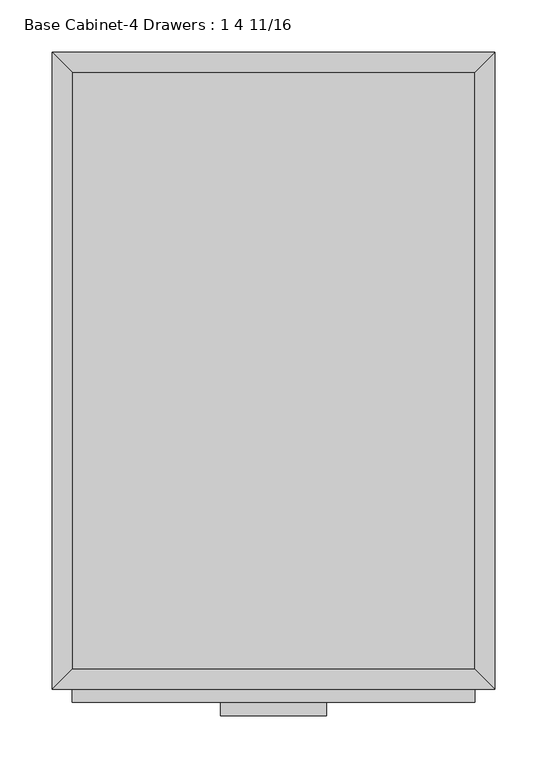
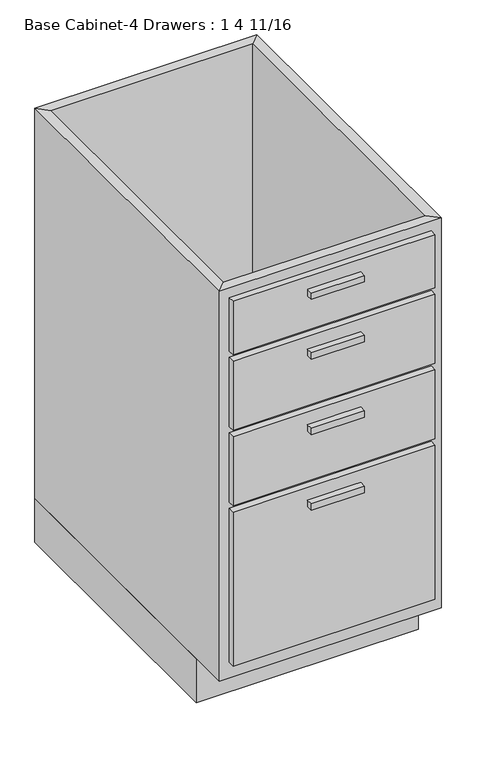
"""IFC4 building model written with IfcOpenShell, lengths in millimetres: furniture geometry, Base Cabinet-4 Drawers : 1 4 11/16."""

import ifcopenshell
import ifcopenshell.guid

model = None  # the IFC model being written
_history = None  # IfcOwnerHistory: only IFC2X3 demands one
_inside = {}  # id of a spatial element -> (the spatial element, [elements in it])
_under = {}  # id of a project, library or spatial element -> (it, [spatial elements below it])
_declared = {}  # id of a project -> (the project, [libraries it declares])
_typed = {}  # id of a type object -> (the type object, [elements of that type])
_made_of = {}  # id of a material, layer set ... -> (it, [elements and type objects made of it])


def new_model(schema):
    """Start an empty IFC model of exactly this schema.

    Asked for "IFC4X3", IfcOpenShell would pick the latest addendum, in which some entities
    have other attributes; the version numbers below select the first issue.
    IFC2X3 requires an IfcOwnerHistory on every rooted entity: one is made here for all.
    """
    global model, _history
    if schema == "IFC4X3":
        model = ifcopenshell.file(schema_version=(4, 3, 0, 0))
    else:
        model = ifcopenshell.file(schema=schema)
    _inside.clear()
    _under.clear()
    _declared.clear()
    _typed.clear()
    _made_of.clear()
    _history = None
    if model.schema == "IFC2X3":
        org = make("IfcOrganization", Name="unknown")
        user = make(
            "IfcPersonAndOrganization",
            ThePerson=make("IfcPerson", FamilyName="unknown"),
            TheOrganization=org,
        )
        app = make(
            "IfcApplication",
            ApplicationDeveloper=org,
            Version="unknown",
            ApplicationFullName="unknown",
            ApplicationIdentifier="unknown",
        )
        _history = make(
            "IfcOwnerHistory",
            OwningUser=user,
            OwningApplication=app,
            ChangeAction="ADDED",
            CreationDate=0,
        )
    return model


def make(cls, **values):
    """One entity of the class cls with the attributes given. An attribute that is None is left unset."""
    return model.create_entity(
        cls, **{name: value for name, value in values.items() if value is not None}
    )


def rooted(cls, **values):
    """An entity with a GlobalId (a new one), such as an element, a storey or a relation."""
    return make(cls, GlobalId=ifcopenshell.guid.new(), OwnerHistory=_history, **values)


def si_unit(unit_type, name, prefix=None):
    """IfcSIUnit, for example si_unit("LENGTHUNIT", "METRE", prefix="MILLI")."""
    return make("IfcSIUnit", UnitType=unit_type, Prefix=prefix, Name=name)


def assignment(units):
    """IfcUnitAssignment: the units of a project."""
    return None if units is None else make("IfcUnitAssignment", Units=units)


def point(xyz):
    """IfcCartesianPoint."""
    return None if xyz is None else make("IfcCartesianPoint", Coordinates=xyz)


def direction(xyz):
    """IfcDirection."""
    return None if xyz is None else make("IfcDirection", DirectionRatios=xyz)


def frame(location, z_axis=None, x_axis=None):
    """IfcAxis2Placement3D, a coordinate frame: its origin and axes. An axis left out is left unset."""
    return make(
        "IfcAxis2Placement3D",
        Location=point(location),
        Axis=direction(z_axis),
        RefDirection=direction(x_axis),
    )


def origin():
    """The frame at (0, 0, 0) with its axes left unset."""
    return frame((0.0, 0.0, 0.0))


def origin_with_axes():
    """The frame at (0, 0, 0) with the z axis (0, 0, 1) and the x axis (1, 0, 0) written out."""
    return frame((0.0, 0.0, 0.0), z_axis=(0.0, 0.0, 1.0), x_axis=(1.0, 0.0, 0.0))


def place(relative_to, where):
    """IfcLocalPlacement: puts the frame where relative to a parent placement (None: the world)."""
    return make(
        "IfcLocalPlacement", PlacementRelTo=relative_to, RelativePlacement=where
    )


def context(
    kind, dimensions, precision=None, world=None, true_north=None, identifier=None
):
    """IfcGeometricRepresentationContext, for example the 3D "Model" context."""
    return make(
        "IfcGeometricRepresentationContext",
        ContextIdentifier=identifier,
        ContextType=kind,
        CoordinateSpaceDimension=dimensions,
        Precision=precision,
        WorldCoordinateSystem=world,
        TrueNorth=true_north,
    )


def project(units=None, contexts=None):
    """IfcProject with its units and contexts."""
    return rooted(
        "IfcProject",
        Name="project",
        RepresentationContexts=contexts,
        UnitsInContext=assignment(units),
    )


def spatial(cls, under=None, at=None, **own):
    """A site, building, storey or space (cls), placed at a placement, below another one or the project."""
    s = rooted(cls, ObjectPlacement=at, **own)
    if under is not None:
        _under.setdefault(under.id(), (under, []))[1].append(s)
    return s


def polyline(points):
    """IfcPolyline through the points."""
    return make("IfcPolyline", Points=[point(p) for p in points])


def outline(outer, holes=None, kind="AREA"):
    """IfcArbitraryClosedProfileDef: a profile drawn as a closed curve; with holes, ...WithVoids."""
    if holes is None:
        return make("IfcArbitraryClosedProfileDef", ProfileType=kind, OuterCurve=outer)
    return make(
        "IfcArbitraryProfileDefWithVoids",
        ProfileType=kind,
        OuterCurve=outer,
        InnerCurves=holes,
    )


def extrude(swept, where, along, depth):
    """IfcExtrudedAreaSolid: the profile swept, set in the frame where, extruded along a direction by depth."""
    return make(
        "IfcExtrudedAreaSolid",
        SweptArea=swept,
        Position=where,
        ExtrudedDirection=direction(along),
        Depth=depth,
    )


def faces_of(points, faces, orient=None, outer=None):
    """IfcFace entities. A face is a list of loops; a loop is a list of indices into points, from 0.

    orient and outer hold one flag for each loop. By default every Orientation is true, the
    first loop of a face is its IfcFaceOuterBound and the others are IfcFaceBound.
    """
    made = []
    for i, loops in enumerate(faces):
        bounds = []
        for j, loop in enumerate(loops):
            is_outer = j == 0 if outer is None else outer[i][j]
            bounds.append(
                make(
                    "IfcFaceOuterBound" if is_outer else "IfcFaceBound",
                    Bound=make("IfcPolyLoop", Polygon=[points[k] for k in loop]),
                    Orientation=True if orient is None else orient[i][j],
                )
            )
        made.append(make("IfcFace", Bounds=bounds))
    return made


def faceted_brep(points, faces, orient=None, outer=None, voids=None):
    """IfcFacetedBrep: a solid bounded by flat faces; with voids (closed shells), ...WithVoids."""
    shared = [point(p) for p in points]
    hull = make("IfcClosedShell", CfsFaces=faces_of(shared, faces, orient, outer))
    if voids is None:
        return make("IfcFacetedBrep", Outer=hull)
    return make(
        "IfcFacetedBrepWithVoids",
        Outer=hull,
        Voids=[
            make(cls, CfsFaces=faces_of(shared, fs, o, b)) for cls, fs, o, b in voids
        ],
    )


def shape(context_of_items, identifier, shape_type, items):
    """IfcShapeRepresentation: the items that make up one representation, for example the "Body"."""
    return make(
        "IfcShapeRepresentation",
        ContextOfItems=context_of_items,
        RepresentationIdentifier=identifier,
        RepresentationType=shape_type,
        Items=items,
    )


def source(mapping_origin, context_of_items, identifier, shape_type, items):
    """IfcRepresentationMap: a shape defined once, which mapped items show again and again."""
    return make(
        "IfcRepresentationMap",
        MappingOrigin=mapping_origin,
        MappedRepresentation=shape(context_of_items, identifier, shape_type, items),
    )


def transform(
    local_origin,
    x_axis=None,
    y_axis=None,
    z_axis=None,
    scale=None,
    scale2=None,
    scale3=None,
    uniform=True,
):
    """IfcCartesianTransformationOperator3D, or its non-uniform kind. x_axis, y_axis, z_axis: its Axis1, 2, 3."""
    if uniform:
        return make(
            "IfcCartesianTransformationOperator3D",
            Axis1=direction(x_axis),
            Axis2=direction(y_axis),
            LocalOrigin=point(local_origin),
            Scale=scale,
            Axis3=direction(z_axis),
        )
    return make(
        "IfcCartesianTransformationOperator3DnonUniform",
        Axis1=direction(x_axis),
        Axis2=direction(y_axis),
        LocalOrigin=point(local_origin),
        Scale=scale,
        Axis3=direction(z_axis),
        Scale2=scale2,
        Scale3=scale3,
    )


def mapped(mapping_source, mapping_target):
    """IfcMappedItem: shows the shape of a source again, moved by a transform."""
    return make(
        "IfcMappedItem", MappingSource=mapping_source, MappingTarget=mapping_target
    )


def made_of(thing, what):
    """Note that an element or type object is made of a material, layer set ...; save() writes the relation."""
    if what is not None:
        _made_of.setdefault(what.id(), (what, []))[1].append(thing)
    return thing


def element(
    cls,
    number,
    at=None,
    inside=None,
    cuts=None,
    type_object=None,
    material=None,
    context=None,
    identifier="Body",
    shape_type=None,
    held_by="IfcProductDefinitionShape",
    body=None,
    shapes=None,
    **own,
):
    """One element of the class cls, such as IfcWall. Its Tag is "e" and its number.

    at: its placement. inside: the storey or other place that contains it. cuts: it is an
    opening in that element (IfcRelVoidsElement). A single representation is given by context,
    identifier, shape_type and body (its items); several are given by shapes. held_by: the class
    of the entity that holds the representations. save() writes the other relations.
    """
    e = rooted(cls, Tag="e%d" % number, ObjectPlacement=at, **own)
    if body is not None:
        shapes = [shape(context, identifier, shape_type, body)]
    if shapes is not None:
        e.Representation = make(held_by, Representations=shapes)
    if inside is not None:
        _inside.setdefault(inside.id(), (inside, []))[1].append(e)
    if cuts is not None:
        rooted(
            "IfcRelVoidsElement", RelatingBuildingElement=cuts, RelatedOpeningElement=e
        )
    if type_object is not None:
        _typed.setdefault(type_object.id(), (type_object, []))[1].append(e)
    return made_of(e, material)


def aggregate(whole, parts):
    """IfcRelAggregates: a whole, such as a stair, and the parts it consists of."""
    return rooted("IfcRelAggregates", RelatingObject=whole, RelatedObjects=parts)


def save(model, path):
    """Write the relations noted so far, then the file.

    IfcRelAggregates (storeys below a building ...), IfcRelContainedInSpatialStructure (elements
    in a storey), IfcRelDefinesByType, IfcRelAssociatesMaterial and IfcRelDeclares: one each for
    every whole, place, type object, material and project.
    """
    for whole, parts in _under.values():
        aggregate(whole, parts)
    for where, things in _inside.values():
        rooted(
            "IfcRelContainedInSpatialStructure",
            RelatedElements=things,
            RelatingStructure=where,
        )
    for kind, things in _typed.values():
        rooted("IfcRelDefinesByType", RelatedObjects=things, RelatingType=kind)
    for what, things in _made_of.values():
        rooted("IfcRelAssociatesMaterial", RelatedObjects=things, RelatingMaterial=what)
    for by, libraries in _declared.values():
        rooted("IfcRelDeclares", RelatingContext=by, RelatedDefinitions=libraries)
    model.write(path)


def base_cabinet_4_drawers_1_4_11_16_55d7e908(model_context):
    return source(origin(), model_context, "Body", "SolidModel", [
        extrude(outline(polyline([(69.5377049, -635.0), (-32.0622951, -635.0), (-32.0622951, -622.3), (69.5377049, -622.3), (69.5377049, -635.0)])), frame((0.0, 0.0, 819.15), z_axis=(0.0, 0.0, 1.0), x_axis=(1.0, 0.0, 0.0)), (0.0, 0.0, 1.0), 12.7),
        extrude(outline(polyline([(69.5377049, -635.0), (-32.0622951, -635.0), (-32.0622951, -622.3), (69.5377049, -622.3), (69.5377049, -635.0)])), frame((0.0, 0.0, 698.5), z_axis=(0.0, 0.0, 1.0), x_axis=(1.0, 0.0, 0.0)), (0.0, 0.0, 1.0), 12.7),
        extrude(outline(polyline([(69.5377049, -635.0), (-32.0622951, -635.0), (-32.0622951, -622.3), (69.5377049, -622.3), (69.5377049, -635.0)])), frame((0.0, 0.0, 546.1), z_axis=(0.0, 0.0, 1.0), x_axis=(1.0, 0.0, 0.0)), (0.0, 0.0, 1.0), 12.7),
        extrude(outline(polyline([(69.5377049, -635.0), (-32.0622951, -635.0), (-32.0622951, -622.3), (69.5377049, -622.3), (69.5377049, -635.0)])), frame((0.0, 0.0, 393.7), z_axis=(0.0, 0.0, 1.0), x_axis=(1.0, 0.0, 0.0)), (0.0, 0.0, 1.0), 12.7),
        extrude(outline(polyline([(211.6189549, -622.3), (-174.1435451, -622.3), (-174.1435451, -609.6), (211.6189549, -609.6), (211.6189549, -622.3)])), frame((0.0, 0.0, 749.3), z_axis=(0.0, 0.0, 1.0), x_axis=(1.0, 0.0, 0.0)), (0.0, 0.0, 1.0), 107.95),
        extrude(outline(polyline([(211.6189549, -622.3), (-174.1435451, -622.3), (-174.1435451, -609.6), (211.6189549, -609.6), (211.6189549, -622.3)])), frame((0.0, 0.0, 596.9), z_axis=(0.0, 0.0, 1.0), x_axis=(1.0, 0.0, 0.0)), (0.0, 0.0, 1.0), 139.7),
        extrude(outline(polyline([(211.6189549, -622.3), (-174.1435451, -622.3), (-174.1435451, -609.6), (211.6189549, -609.6), (211.6189549, -622.3)])), frame((0.0, 0.0, 444.5), z_axis=(0.0, 0.0, 1.0), x_axis=(1.0, 0.0, 0.0)), (0.0, 0.0, 1.0), 139.7),
        extrude(outline(polyline([(211.6189549, -622.3), (-174.1435451, -622.3), (-174.1435451, -609.6), (211.6189549, -609.6), (211.6189549, -622.3)])), frame((0.0, 0.0, 120.65), z_axis=(0.0, 0.0, 1.0), x_axis=(1.0, 0.0, 0.0)), (0.0, 0.0, 1.0), 311.15),
        extrude(outline(polyline([(211.6189549, -19.05), (211.6189549, -590.55), (-174.1435451, -590.55), (-174.1435451, -19.05), (211.6189549, -19.05)])), frame((0.0, 0.0, 88.9), z_axis=(0.0, 0.0, 1.0), x_axis=(1.0, 0.0, 0.0)), (0.0, 0.0, 1.0), 19.05),
        faceted_brep([(211.6189549, -590.55, 876.3), (211.6189549, -590.55, 88.9), (-174.1435451, -590.55, 88.9), (-174.1435451, -590.55, 876.3), (230.6689549, -609.6, 876.3), (-193.1935451, -609.6, 876.3), (230.6689549, -609.6, 88.9), (-193.1935451, -609.6, 88.9), (-174.1435451, -19.05, 88.9), (-174.1435451, -19.05, 876.3), (-193.1935451, 0.0, 876.3), (-193.1935451, 0.0, 88.9), (211.6189549, -19.05, 88.9), (211.6189549, -19.05, 876.3), (230.6689549, 0.0, 876.3), (230.6689549, 0.0, 88.9)], [[[0, 1, 2, 3]], [[4, 0, 3, 5]], [[6, 4, 5, 7]], [[1, 6, 7, 2]], [[3, 2, 8, 9]], [[5, 3, 9, 10]], [[7, 5, 10, 11]], [[2, 7, 11, 8]], [[9, 8, 12, 13]], [[10, 9, 13, 14]], [[11, 10, 14, 15]], [[8, 11, 15, 12]], [[13, 12, 1, 0]], [[14, 13, 0, 4]], [[15, 14, 4, 6]], [[12, 15, 6, 1]]]),
        extrude(outline(polyline([(230.6689549, 0.0), (230.6689549, -533.4), (-193.1935451, -533.4), (-193.1935451, 0.0), (230.6689549, 0.0)])), origin_with_axes(), (0.0, 0.0, 1.0), 88.9),
    ])


if __name__ == "__main__":
    model = new_model("IFC4")
    model_context = context("Model", 3, world=origin())
    ifc_project = project(units=[si_unit("LENGTHUNIT", "METRE", prefix="MILLI")], contexts=[model_context])
    site = spatial("IfcSite", under=ifc_project)
    building = spatial("IfcBuilding", under=site)
    placement = place(None, origin())
    base_cabinet_4_drawers_1_4_11_16_shape = base_cabinet_4_drawers_1_4_11_16_55d7e908(model_context)
    element("IfcFurniture", 1, ObjectType="Base Cabinet-4 Drawers : 1 4 11/16", at=placement, inside=building, context=model_context, shape_type="MappedRepresentation", body=[
        mapped(base_cabinet_4_drawers_1_4_11_16_shape, transform((0.0, 0.0, 0.0), x_axis=(1.0, 0.0, 0.0), y_axis=(0.0, 1.0, 0.0), z_axis=(0.0, 0.0, 1.0))),
    ])
    save(model, "model.ifc")
